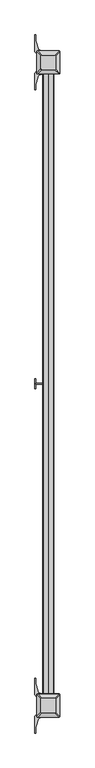
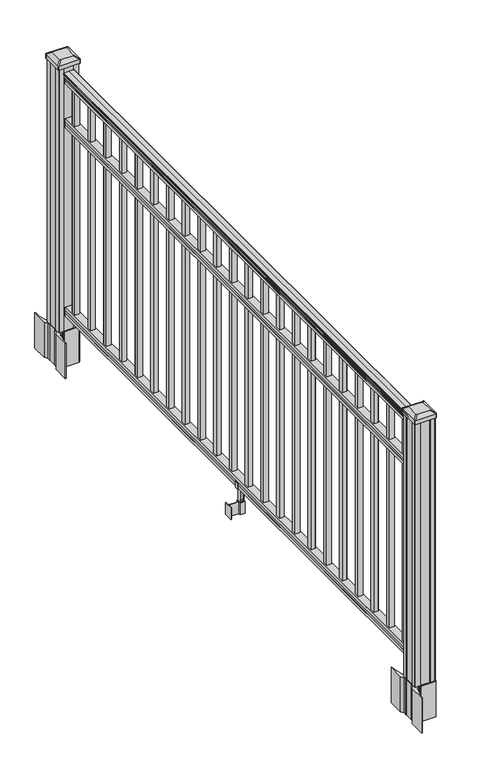
"""IFC4 building model written with IfcOpenShell, lengths in millimetres: railing geometry."""

from ifc_helpers import new_model, si_unit, point, frame, frame_2d, origin, origin_with_axes, place, context, project, spatial, polyline, circle_curve, trimmed, segment, composite_curve, outline, extrude, source, transform, mapped, element, save
from ifc_brep_helpers import plane_surface, extruded_surface, advanced_brep


def railing_6e5fd319(model_context):
    return source(origin(), model_context, "Body", "SolidModel", [
        extrude(outline(composite_curve([segment(trimmed(circle_curve(frame_2d((3402.9211062, 1090.8043297)), 1.2869144), [point((3404.2080205, 1090.8043297))], [point((3401.6341918, 1090.8043297))], False, "CARTESIAN"), True, "CONTINUOUS"), segment(polyline([(3401.6341918, 1090.8043297), (3401.6341918, 1080.147013), (3402.6501918, 1079.131013), (3402.6501918, 1066.8), (3370.9001918, 1066.8), (3370.9001918, 1079.2888283), (3371.9161918, 1080.3048283), (3371.9161918, 1090.8043297)]), True, "CONTINUOUS"), segment(trimmed(circle_curve(frame_2d((3370.6292774, 1090.8043297)), 1.2869144), [point((3371.9161918, 1090.8043297))], [point((3369.3423631, 1090.8043297))], False, "CARTESIAN"), True, "CONTINUOUS"), segment(polyline([(3369.3423631, 1090.8043297), (3369.3423631, 1092.692412)]), True, "CONTINUOUS"), segment(trimmed(circle_curve(frame_2d((3375.6571163, 1098.4506383)), 8.545951), [point((3369.3423631, 1092.692412))], [point((3368.2121768, 1094.2546695))], False, "CARTESIAN"), True, "CONTINUOUS"), segment(trimmed(circle_curve(frame_2d((3375.2200534, 1097.8636577)), 7.882584), [point((3368.2121768, 1094.2546695))], [point((3368.2121768, 1101.4726458))], False, "CARTESIAN"), True, "CONTINUOUS"), segment(trimmed(circle_curve(frame_2d((3364.7067292, 1103.7112527)), 4.1592695), [point((3368.2121768, 1101.4726458))], [point((3368.8614332, 1103.9060812))], True, "CARTESIAN"), True, "CONTINUOUS"), segment(trimmed(circle_curve(frame_2d((3363.4194227, 1103.6508864)), 5.4479907), [point((3368.8614332, 1103.9060812))], [point((3366.3614332, 1108.2362083))], True, "CARTESIAN"), True, "CONTINUOUS"), segment(trimmed(circle_curve(frame_2d((3364.6525811, 1108.233395)), 1.7088543), [point((3366.3614332, 1108.2362083))], [point((3364.9520907, 1109.9157972))], True, "CARTESIAN"), True, "CONTINUOUS"), segment(trimmed(circle_curve(frame_2d((3366.2694812, 1111.0205318)), 1.7192895), [point((3364.9520907, 1109.9157972))], [point((3364.5501917, 1111.0205318))], False, "CARTESIAN"), True, "CONTINUOUS"), segment(polyline([(3364.5501917, 1111.0205318), (3364.5501918, 1112.3608158)]), True, "CONTINUOUS"), segment(trimmed(circle_curve(frame_2d((3366.103639, 1112.3608158)), 1.5534472), [point((3364.5501918, 1112.3608158))], [point((3366.103639, 1113.914263))], False, "CARTESIAN"), True, "CONTINUOUS"), segment(polyline([(3366.103639, 1113.914263), (3386.7751918, 1113.914263), (3407.4467446, 1113.914263)]), True, "CONTINUOUS"), segment(trimmed(circle_curve(frame_2d((3407.4467446, 1112.3608158)), 1.5534472), [point((3407.4467446, 1113.914263))], [point((3409.0001918, 1112.3608158))], False, "CARTESIAN"), True, "CONTINUOUS"), segment(polyline([(3409.0001918, 1112.3608158), (3409.0001918, 1111.0205318)]), True, "CONTINUOUS"), segment(trimmed(circle_curve(frame_2d((3407.2809024, 1111.0205318)), 1.7192895), [point((3409.0001918, 1111.0205318))], [point((3408.5982929, 1109.9157972))], False, "CARTESIAN"), True, "CONTINUOUS"), segment(trimmed(circle_curve(frame_2d((3408.8978025, 1108.233395)), 1.7088543), [point((3408.5982929, 1109.9157972))], [point((3407.1889504, 1108.2362083))], True, "CARTESIAN"), True, "CONTINUOUS"), segment(trimmed(circle_curve(frame_2d((3410.1309609, 1103.6508864)), 5.4479907), [point((3407.1889504, 1108.2362083))], [point((3404.6889504, 1103.9060812))], True, "CARTESIAN"), True, "CONTINUOUS"), segment(trimmed(circle_curve(frame_2d((3408.8436543, 1103.7112527)), 4.1592695), [point((3404.6889504, 1103.9060812))], [point((3405.3382068, 1101.4726458))], True, "CARTESIAN"), True, "CONTINUOUS"), segment(trimmed(circle_curve(frame_2d((3398.3303302, 1097.8636577)), 7.882584), [point((3405.3382068, 1101.4726458))], [point((3405.3382068, 1094.2546695))], False, "CARTESIAN"), True, "CONTINUOUS"), segment(trimmed(circle_curve(frame_2d((3397.8932672, 1098.4506383)), 8.545951), [point((3405.3382068, 1094.2546695))], [point((3404.2080205, 1092.692412))], False, "CARTESIAN"), True, "CONTINUOUS"), segment(polyline([(3404.2080205, 1092.692412), (3404.2080205, 1090.8043297)]), True, "CONTINUOUS")], self_intersect=False)), frame((0.0, -125640.6908968, 0.0), z_axis=(0.0, -1.0, 0.0), x_axis=(1.0, 0.0, 0.0)), (0.0, 0.0, 1.0), 2438.4),
        extrude(outline(polyline([(888.8541976, 3402.6876787), (890.1546183, 3401.6716787), (900.5141717, 3401.6716787), (901.8624492, 3402.6876787), (914.3958781, 3402.6876787), (914.3958781, 3370.9376787), (901.8458024, 3370.9376787), (900.4975248, 3371.9536787), (890.1858283, 3371.9536787), (888.8375508, 3370.9376787), (876.3, 3370.9376787), (876.3, 3402.6876787), (888.8541976, 3402.6876787)])), frame((0.0, -128079.0908968, 0.0), z_axis=(0.0, 1.0, 0.0), x_axis=(0.0, 0.0, 1.0)), (0.0, 0.0, 1.0), 2438.4),
        extrude(outline(polyline([(76.0541976, 3402.6876787), (77.3546183, 3401.6716787), (87.7141717, 3401.6716787), (89.0624492, 3402.6876787), (101.5958781, 3402.6876787), (101.5958781, 3370.9376787), (89.0458024, 3370.9376787), (87.6975248, 3371.9536787), (77.3858283, 3371.9536787), (76.0375508, 3370.9376787), (63.5, 3370.9376787), (63.5, 3402.6876787), (76.0541976, 3402.6876787)])), frame((0.0, -128079.0908968, 0.0), z_axis=(0.0, 1.0, 0.0), x_axis=(0.0, 0.0, 1.0)), (0.0, 0.0, 1.0), 2438.4),
        extrude(outline(polyline([(3396.3001918, -125699.9998968), (3377.2501918, -125699.9998968), (3377.2501918, -125680.9498968), (3396.3001918, -125680.9498968), (3396.3001918, -125699.9998968)]), holes=[polyline([(3395.9033168, -125699.6030218), (3395.9033168, -125681.3467718), (3377.6470668, -125681.3467718), (3377.6470668, -125699.6030218), (3395.9033168, -125699.6030218)])]), frame((0.0, 0.0, 101.5958781), z_axis=(0.0, 0.0, 1.0), x_axis=(1.0, 0.0, 0.0)), (0.0, 0.0, 1.0), 965.2041219),
        extrude(outline(polyline([(3396.3001918, -125811.2518968), (3377.2501918, -125811.2518968), (3377.2501918, -125792.2018968), (3396.3001918, -125792.2018968), (3396.3001918, -125811.2518968)]), holes=[polyline([(3395.9033168, -125810.8550218), (3395.9033168, -125792.5987718), (3377.6470668, -125792.5987718), (3377.6470668, -125810.8550218), (3395.9033168, -125810.8550218)])]), frame((0.0, 0.0, 101.5958781), z_axis=(0.0, 0.0, 1.0), x_axis=(1.0, 0.0, 0.0)), (0.0, 0.0, 1.0), 965.2041219),
        extrude(outline(polyline([(3396.3001918, -125922.5038968), (3377.2501918, -125922.5038968), (3377.2501918, -125903.4538968), (3396.3001918, -125903.4538968), (3396.3001918, -125922.5038968)]), holes=[polyline([(3395.9033168, -125922.1070218), (3395.9033168, -125903.8507718), (3377.6470668, -125903.8507718), (3377.6470668, -125922.1070218), (3395.9033168, -125922.1070218)])]), frame((0.0, 0.0, 101.5958781), z_axis=(0.0, 0.0, 1.0), x_axis=(1.0, 0.0, 0.0)), (0.0, 0.0, 1.0), 965.2041219),
        extrude(outline(polyline([(3396.3001918, -126033.7558968), (3377.2501918, -126033.7558968), (3377.2501918, -126014.7058968), (3396.3001918, -126014.7058968), (3396.3001918, -126033.7558968)]), holes=[polyline([(3395.9033168, -126033.3590218), (3395.9033168, -126015.1027718), (3377.6470668, -126015.1027718), (3377.6470668, -126033.3590218), (3395.9033168, -126033.3590218)])]), frame((0.0, 0.0, 101.5958781), z_axis=(0.0, 0.0, 1.0), x_axis=(1.0, 0.0, 0.0)), (0.0, 0.0, 1.0), 965.2041219),
        extrude(outline(polyline([(3396.3001918, -126145.0078968), (3377.2501918, -126145.0078968), (3377.2501918, -126125.9578968), (3396.3001918, -126125.9578968), (3396.3001918, -126145.0078968)]), holes=[polyline([(3395.9033168, -126144.6110218), (3395.9033168, -126126.3547718), (3377.6470668, -126126.3547718), (3377.6470668, -126144.6110218), (3395.9033168, -126144.6110218)])]), frame((0.0, 0.0, 101.5958781), z_axis=(0.0, 0.0, 1.0), x_axis=(1.0, 0.0, 0.0)), (0.0, 0.0, 1.0), 965.2041219),
        extrude(outline(polyline([(3396.3001918, -126256.2598968), (3377.2501918, -126256.2598968), (3377.2501918, -126237.2098968), (3396.3001918, -126237.2098968), (3396.3001918, -126256.2598968)]), holes=[polyline([(3395.9033168, -126255.8630218), (3395.9033168, -126237.6067718), (3377.6470668, -126237.6067718), (3377.6470668, -126255.8630218), (3395.9033168, -126255.8630218)])]), frame((0.0, 0.0, 101.5958781), z_axis=(0.0, 0.0, 1.0), x_axis=(1.0, 0.0, 0.0)), (0.0, 0.0, 1.0), 965.2041219),
        extrude(outline(polyline([(3396.3001918, -126367.5118968), (3377.2501918, -126367.5118968), (3377.2501918, -126348.4618968), (3396.3001918, -126348.4618968), (3396.3001918, -126367.5118968)]), holes=[polyline([(3395.9033168, -126367.1150218), (3395.9033168, -126348.8587718), (3377.6470668, -126348.8587718), (3377.6470668, -126367.1150218), (3395.9033168, -126367.1150218)])]), frame((0.0, 0.0, 101.5958781), z_axis=(0.0, 0.0, 1.0), x_axis=(1.0, 0.0, 0.0)), (0.0, 0.0, 1.0), 965.2041219),
        extrude(outline(polyline([(3396.3001918, -126478.7638968), (3377.2501918, -126478.7638968), (3377.2501918, -126459.7138968), (3396.3001918, -126459.7138968), (3396.3001918, -126478.7638968)]), holes=[polyline([(3395.9033168, -126478.3670218), (3395.9033168, -126460.1107718), (3377.6470668, -126460.1107718), (3377.6470668, -126478.3670218), (3395.9033168, -126478.3670218)])]), frame((0.0, 0.0, 101.5958781), z_axis=(0.0, 0.0, 1.0), x_axis=(1.0, 0.0, 0.0)), (0.0, 0.0, 1.0), 965.2041219),
        extrude(outline(polyline([(3396.3001918, -126590.0158968), (3377.2501918, -126590.0158968), (3377.2501918, -126570.9658968), (3396.3001918, -126570.9658968), (3396.3001918, -126590.0158968)]), holes=[polyline([(3395.9033168, -126589.6190218), (3395.9033168, -126571.3627718), (3377.6470668, -126571.3627718), (3377.6470668, -126589.6190218), (3395.9033168, -126589.6190218)])]), frame((0.0, 0.0, 101.5958781), z_axis=(0.0, 0.0, 1.0), x_axis=(1.0, 0.0, 0.0)), (0.0, 0.0, 1.0), 965.2041219),
        extrude(outline(polyline([(3396.3001918, -126701.2678968), (3377.2501918, -126701.2678968), (3377.2501918, -126682.2178968), (3396.3001918, -126682.2178968), (3396.3001918, -126701.2678968)]), holes=[polyline([(3395.9033168, -126700.8710218), (3395.9033168, -126682.6147718), (3377.6470668, -126682.6147718), (3377.6470668, -126700.8710218), (3395.9033168, -126700.8710218)])]), frame((0.0, 0.0, 101.5958781), z_axis=(0.0, 0.0, 1.0), x_axis=(1.0, 0.0, 0.0)), (0.0, 0.0, 1.0), 965.2041219),
        extrude(outline(polyline([(3396.3001918, -126812.5198968), (3377.2501918, -126812.5198968), (3377.2501918, -126793.4698968), (3396.3001918, -126793.4698968), (3396.3001918, -126812.5198968)]), holes=[polyline([(3395.9033168, -126812.1230218), (3395.9033168, -126793.8667718), (3377.6470668, -126793.8667718), (3377.6470668, -126812.1230218), (3395.9033168, -126812.1230218)])]), frame((0.0, 0.0, 101.5958781), z_axis=(0.0, 0.0, 1.0), x_axis=(1.0, 0.0, 0.0)), (0.0, 0.0, 1.0), 965.2041219),
        extrude(outline(polyline([(3376.107192, -126859.8908968), (3336.7371918, -126859.8908968), (3336.7371918, -126857.3508968), (3376.107192, -126857.3508968), (3376.107192, -126859.8908968)])), frame((0.0, 0.0, -50.8), z_axis=(0.0, 0.0, 1.0), x_axis=(1.0, 0.0, 0.0)), (0.0, 0.0, 1.0), 50.8),
        extrude(outline(polyline([(3336.7371918, -126877.6708968), (3334.1971918, -126877.6708968), (3334.1971918, -126839.5708968), (3336.7371918, -126839.5708968), (3336.7371918, -126877.6708968)])), frame((0.0, 0.0, -50.8), z_axis=(0.0, 0.0, 1.0), x_axis=(1.0, 0.0, 0.0)), (0.0, 0.0, 1.0), 50.8),
        extrude(outline(polyline([(3397.4431925, -126868.5268968), (3376.107192, -126868.5268968), (3376.107192, -126848.7148968), (3397.4431925, -126848.7148968), (3397.4431925, -126868.5268968)]), holes=[polyline([(3394.1411924, -126865.9868968), (3394.1411924, -126851.2548968), (3379.4091921, -126851.2548968), (3379.4091921, -126865.9868968), (3394.1411924, -126865.9868968)])]), frame((0.0, 0.0, -50.8), z_axis=(0.0, 0.0, 1.0), x_axis=(1.0, 0.0, 0.0)), (0.0, 0.0, 1.0), 50.8),
        extrude(outline(polyline([(88.7203979, 3368.614193), (87.9583969, 3367.8521919), (61.4680023, 3367.8521919), (60.7060013, 3368.614193), (60.7060013, 3378.647192), (59.9440012, 3379.4091921), (-3.5559988, 3379.4091921), (-3.5559988, 3394.1411924), (59.9440012, 3394.1411924), (60.7060013, 3394.9031925), (60.7060013, 3404.9361916), (61.4680023, 3405.6981926), (87.9583969, 3405.6981926), (88.7203979, 3404.9361916), (88.7203979, 3402.904192), (87.7043953, 3401.8881922), (77.2686081, 3401.8881922), (76.2526073, 3402.904192), (64.262001, 3402.904192), (63.5000019, 3402.1421928), (63.5000019, 3371.4081917), (64.262001, 3370.6461926), (76.2526073, 3370.6461926), (77.2686081, 3371.6621924), (87.7043953, 3371.6621924), (88.7203979, 3370.6461926), (88.7203979, 3368.614193)]), holes=[polyline([(60.7060013, 3390.2041922), (59.9440012, 3390.9661923), (3.9370031, 3390.9661923), (3.1750031, 3390.2041922), (3.1750031, 3383.3461895), (3.9370003, 3382.5841923), (59.9440012, 3382.5841923), (60.7060013, 3383.3461924), (60.7060013, 3390.2041922)])]), frame((0.0, -126865.9868968, 0.0), z_axis=(0.0, 1.0, 0.0), x_axis=(0.0, 0.0, 1.0)), (0.0, 0.0, 1.0), 14.732),
        extrude(outline(polyline([(3396.3001918, -126923.7718968), (3377.2501918, -126923.7718968), (3377.2501918, -126904.7218968), (3396.3001918, -126904.7218968), (3396.3001918, -126923.7718968)]), holes=[polyline([(3395.9033168, -126923.3750218), (3395.9033168, -126905.1187718), (3377.6470668, -126905.1187718), (3377.6470668, -126923.3750218), (3395.9033168, -126923.3750218)])]), frame((0.0, 0.0, 101.5958781), z_axis=(0.0, 0.0, 1.0), x_axis=(1.0, 0.0, 0.0)), (0.0, 0.0, 1.0), 965.2041219),
        extrude(outline(polyline([(3396.3001918, -127035.0238968), (3377.2501918, -127035.0238968), (3377.2501918, -127015.9738968), (3396.3001918, -127015.9738968), (3396.3001918, -127035.0238968)]), holes=[polyline([(3395.9033168, -127034.6270218), (3395.9033168, -127016.3707718), (3377.6470668, -127016.3707718), (3377.6470668, -127034.6270218), (3395.9033168, -127034.6270218)])]), frame((0.0, 0.0, 101.5958781), z_axis=(0.0, 0.0, 1.0), x_axis=(1.0, 0.0, 0.0)), (0.0, 0.0, 1.0), 965.2041219),
        extrude(outline(polyline([(3396.3001918, -127146.2758968), (3377.2501918, -127146.2758968), (3377.2501918, -127127.2258968), (3396.3001918, -127127.2258968), (3396.3001918, -127146.2758968)]), holes=[polyline([(3395.9033168, -127145.8790218), (3395.9033168, -127127.6227718), (3377.6470668, -127127.6227718), (3377.6470668, -127145.8790218), (3395.9033168, -127145.8790218)])]), frame((0.0, 0.0, 101.5958781), z_axis=(0.0, 0.0, 1.0), x_axis=(1.0, 0.0, 0.0)), (0.0, 0.0, 1.0), 965.2041219),
        extrude(outline(polyline([(3396.3001918, -127257.5278968), (3377.2501918, -127257.5278968), (3377.2501918, -127238.4778968), (3396.3001918, -127238.4778968), (3396.3001918, -127257.5278968)]), holes=[polyline([(3395.9033168, -127257.1310218), (3395.9033168, -127238.8747718), (3377.6470668, -127238.8747718), (3377.6470668, -127257.1310218), (3395.9033168, -127257.1310218)])]), frame((0.0, 0.0, 101.5958781), z_axis=(0.0, 0.0, 1.0), x_axis=(1.0, 0.0, 0.0)), (0.0, 0.0, 1.0), 965.2041219),
        extrude(outline(polyline([(3396.3001918, -127368.7798968), (3377.2501918, -127368.7798968), (3377.2501918, -127349.7298968), (3396.3001918, -127349.7298968), (3396.3001918, -127368.7798968)]), holes=[polyline([(3395.9033168, -127368.3830218), (3395.9033168, -127350.1267718), (3377.6470668, -127350.1267718), (3377.6470668, -127368.3830218), (3395.9033168, -127368.3830218)])]), frame((0.0, 0.0, 101.5958781), z_axis=(0.0, 0.0, 1.0), x_axis=(1.0, 0.0, 0.0)), (0.0, 0.0, 1.0), 965.2041219),
        extrude(outline(polyline([(3396.3001918, -127480.0318968), (3377.2501918, -127480.0318968), (3377.2501918, -127460.9818968), (3396.3001918, -127460.9818968), (3396.3001918, -127480.0318968)]), holes=[polyline([(3395.9033168, -127479.6350218), (3395.9033168, -127461.3787718), (3377.6470668, -127461.3787718), (3377.6470668, -127479.6350218), (3395.9033168, -127479.6350218)])]), frame((0.0, 0.0, 101.5958781), z_axis=(0.0, 0.0, 1.0), x_axis=(1.0, 0.0, 0.0)), (0.0, 0.0, 1.0), 965.2041219),
        extrude(outline(polyline([(3396.3001918, -127591.2838968), (3377.2501918, -127591.2838968), (3377.2501918, -127572.2338968), (3396.3001918, -127572.2338968), (3396.3001918, -127591.2838968)]), holes=[polyline([(3395.9033168, -127590.8870218), (3395.9033168, -127572.6307718), (3377.6470668, -127572.6307718), (3377.6470668, -127590.8870218), (3395.9033168, -127590.8870218)])]), frame((0.0, 0.0, 101.5958781), z_axis=(0.0, 0.0, 1.0), x_axis=(1.0, 0.0, 0.0)), (0.0, 0.0, 1.0), 965.2041219),
        extrude(outline(polyline([(3396.3001918, -127702.5358968), (3377.2501918, -127702.5358968), (3377.2501918, -127683.4858968), (3396.3001918, -127683.4858968), (3396.3001918, -127702.5358968)]), holes=[polyline([(3395.9033168, -127702.1390218), (3395.9033168, -127683.8827718), (3377.6470668, -127683.8827718), (3377.6470668, -127702.1390218), (3395.9033168, -127702.1390218)])]), frame((0.0, 0.0, 101.5958781), z_axis=(0.0, 0.0, 1.0), x_axis=(1.0, 0.0, 0.0)), (0.0, 0.0, 1.0), 965.2041219),
        extrude(outline(polyline([(3396.3001918, -127813.7878968), (3377.2501918, -127813.7878968), (3377.2501918, -127794.7378968), (3396.3001918, -127794.7378968), (3396.3001918, -127813.7878968)]), holes=[polyline([(3395.9033168, -127813.3910218), (3395.9033168, -127795.1347718), (3377.6470668, -127795.1347718), (3377.6470668, -127813.3910218), (3395.9033168, -127813.3910218)])]), frame((0.0, 0.0, 101.5958781), z_axis=(0.0, 0.0, 1.0), x_axis=(1.0, 0.0, 0.0)), (0.0, 0.0, 1.0), 965.2041219),
        extrude(outline(polyline([(3396.3001918, -127925.0398968), (3377.2501918, -127925.0398968), (3377.2501918, -127905.9898968), (3396.3001918, -127905.9898968), (3396.3001918, -127925.0398968)]), holes=[polyline([(3395.9033168, -127924.6430218), (3395.9033168, -127906.3867718), (3377.6470668, -127906.3867718), (3377.6470668, -127924.6430218), (3395.9033168, -127924.6430218)])]), frame((0.0, 0.0, 101.5958781), z_axis=(0.0, 0.0, 1.0), x_axis=(1.0, 0.0, 0.0)), (0.0, 0.0, 1.0), 965.2041219),
        extrude(outline(polyline([(3396.3001918, -128036.2918968), (3377.2501918, -128036.2918968), (3377.2501918, -128017.2418968), (3396.3001918, -128017.2418968), (3396.3001918, -128036.2918968)]), holes=[polyline([(3395.9033168, -128035.8950218), (3395.9033168, -128017.6387718), (3377.6470668, -128017.6387718), (3377.6470668, -128035.8950218), (3395.9033168, -128035.8950218)])]), frame((0.0, 0.0, 101.5958781), z_axis=(0.0, 0.0, 1.0), x_axis=(1.0, 0.0, 0.0)), (0.0, 0.0, 1.0), 965.2041219),
        extrude(outline(composite_curve([segment(polyline([(3429.5106918, -125616.6749917), (3431.0981918, -125617.4369917), (3431.0981918, -125640.2389198), (3427.7252147, -125643.6118968), (3366.2655439, -125643.6118968), (3366.2655439, -125644.5326468), (3360.9480001, -125644.5326468), (3360.9480001, -125645.9869015), (3355.8634704, -125645.9869015), (3355.8634704, -125647.2709253), (3354.1961981, -125647.2709253)]), True, "CONTINUOUS"), segment(trimmed(circle_curve(frame_2d((3354.1961981, -125654.3303852)), 7.0594599), [point((3354.1961981, -125647.2709253))], [point((3347.4289352, -125652.3203785))], True, "CARTESIAN"), True, "CONTINUOUS"), segment(polyline([(3347.4289352, -125652.3203785), (3339.554741, -125678.8311076)]), True, "CONTINUOUS"), segment(trimmed(circle_curve(frame_2d((3394.3392543, -125695.1031573)), 57.15), [point((3339.554741, -125678.8311076))], [point((3337.1892543, -125695.1031573))], True, "CARTESIAN"), True, "CONTINUOUS"), segment(polyline([(3337.1892543, -125695.1031573), (3337.1892543, -125707.1118968), (3334.1892543, -125707.1118968), (3334.1892543, -125642.0243968), (3342.4521918, -125630.6861055), (3342.4521918, -125617.4369917), (3344.0396918, -125616.6749917), (3344.0396918, -125581.902802), (3342.4521918, -125581.140802), (3342.4521918, -125567.8916882), (3334.1892543, -125556.5533968), (3334.1892543, -125491.4658968), (3337.1892543, -125491.4658968), (3337.1892543, -125503.4746364)]), True, "CONTINUOUS"), segment(trimmed(circle_curve(frame_2d((3394.3392543, -125503.4746364)), 57.15), [point((3337.1892543, -125503.4746364))], [point((3339.554741, -125519.746686))], True, "CARTESIAN"), True, "CONTINUOUS"), segment(polyline([(3339.554741, -125519.746686), (3347.4289352, -125546.2574151)]), True, "CONTINUOUS"), segment(trimmed(circle_curve(frame_2d((3354.1961981, -125544.2474085)), 7.0594599), [point((3347.4289352, -125546.2574151))], [point((3354.1961981, -125551.3068683))], True, "CARTESIAN"), True, "CONTINUOUS"), segment(polyline([(3354.1961981, -125551.3068683), (3355.8634704, -125551.3068683), (3355.8634704, -125552.5908921), (3360.9480001, -125552.5908921), (3360.9480001, -125554.0451468), (3366.2655439, -125554.0451468), (3366.2655439, -125554.9658968), (3427.7252147, -125554.9658968), (3431.0981918, -125558.3388739), (3431.0981918, -125581.140802), (3429.5106918, -125581.902802), (3429.5106918, -125616.6749917)]), True, "CONTINUOUS")], self_intersect=False), holes=[polyline([(3345.5001918, -125559.6013968), (3345.5001918, -125638.9763968), (3347.0876918, -125640.5638968), (3384.0119744, -125640.5638968), (3426.4626918, -125640.5638968), (3428.0501918, -125638.9763968), (3428.0501918, -125559.6013968), (3426.4626918, -125558.0138968), (3384.0119744, -125558.0138968), (3347.0876918, -125558.0138968), (3345.5001918, -125559.6013968)])]), frame((0.0, 0.0, -152.4), z_axis=(0.0, 0.0, 1.0), x_axis=(1.0, 0.0, 0.0)), (0.0, 0.0, 1.0), 152.4),
        advanced_brep(
        [(3360.9783168, -125628.2607718, 1165.225), (3412.5720668, -125628.2607718, 1165.225), (3415.7470668, -125625.0857718, 1165.225), (3415.7470668, -125573.4920218, 1165.225), (3412.5720668, -125570.3170218, 1165.225), (3360.9783168, -125570.3170218, 1165.225), (3357.8033168, -125573.4920218, 1165.225), (3357.8033168, -125625.0857718, 1165.225), (3344.7064418, -125644.5326468, 1153.922), (3341.5314418, -125641.3576468, 1153.922), (3341.5314418, -125557.2201468, 1153.922), (3344.7064418, -125554.0451468, 1153.922), (3428.8439418, -125554.0451468, 1153.922), (3432.0189418, -125557.2201468, 1153.922), (3432.0189418, -125641.3576468, 1153.922), (3428.8439418, -125644.5326468, 1153.922)],
        [
            (0, 1),
            (1, 2, circle_curve(frame((3412.5720668, -125625.0857718, 1165.225), z_axis=(0.0, 0.0, 1.0), x_axis=(0.0, 1.0, 0.0)), 3.175)),
            (2, 3),
            (3, 4, circle_curve(frame((3412.5720668, -125573.4920218, 1165.225), z_axis=(0.0, 0.0, 1.0), x_axis=(0.0, 1.0, 0.0)), 3.175)),
            (4, 5),
            (5, 6, circle_curve(frame((3360.9783168, -125573.4920218, 1165.225), z_axis=(0.0, 0.0, 1.0), x_axis=(0.0, 1.0, 0.0)), 3.175)),
            (6, 7),
            (7, 0, circle_curve(frame((3360.9783168, -125625.0857718, 1165.225), z_axis=(0.0, 0.0, 1.0), x_axis=(0.0, 1.0, 0.0)), 3.175)),
            (8, 9, circle_curve(frame((3344.7064418, -125641.3576468, 1153.922), z_axis=(0.0, 0.0, -1.0), x_axis=(0.0, 1.0, 0.0)), 3.175)),
            (9, 10),
            (10, 11, circle_curve(frame((3344.7064418, -125557.2201468, 1153.922), z_axis=(0.0, 0.0, -1.0), x_axis=(0.0, 1.0, 0.0)), 3.175)),
            (11, 12),
            (12, 13, circle_curve(frame((3428.8439418, -125557.2201468, 1153.922), z_axis=(0.0, 0.0, -1.0), x_axis=(0.0, 1.0, 0.0)), 3.175)),
            (13, 14),
            (14, 15, circle_curve(frame((3428.8439418, -125641.3576468, 1153.922), z_axis=(0.0, 0.0, -1.0), x_axis=(0.0, 1.0, 0.0)), 3.175)),
            (15, 8),
            (8, 0),
            (7, 9),
            (6, 10),
            (5, 11),
            (4, 12),
            (3, 13),
            (2, 14),
            (1, 15),
        ],
        [
            plane_surface(frame((3386.7751918, -125599.2888968, 1165.225), z_axis=(0.0, 0.0, 1.0), x_axis=(-1.0, 0.0, 0.0))),
            plane_surface(frame((3386.7751918, -125599.2888968, 1153.922), z_axis=(0.0, 0.0, -1.0), x_axis=(-1.0, 0.0, 0.0))),
            extruded_surface(trimmed(circle_curve(frame((3360.9783168, -125625.0857718, 1165.225), z_axis=(0.0, 0.0, -1.0), x_axis=(0.0, 1.0, 0.0)), 3.175), [point((3360.9783168, -125628.2607718, 1165.225))], [point((3357.8033168, -125625.0857718, 1165.225))], True, "CARTESIAN"), (-16.27187499999991, -16.27187499999127, -11.302999999999884), 25.63797263886051),
            plane_surface(frame((3341.5314418, -125599.2888968, 1153.922), z_axis=(-0.5705009161540777, 0.0, 0.8212969649690409), x_axis=(0.0, 1.0, 0.0))),
            extruded_surface(trimmed(circle_curve(frame((3360.9783168, -125573.4920218, 1165.225), z_axis=(0.0, 0.0, -1.0), x_axis=(0.0, 1.0, 0.0)), 3.175), [point((3357.8033168, -125573.4920218, 1165.225))], [point((3360.9783168, -125570.3170218, 1165.225))], True, "CARTESIAN"), (-16.27187499999991, 16.27187500000582, -11.302999999999884), 25.637972638869748),
            plane_surface(frame((3386.7751918, -125554.0451468, 1153.922), z_axis=(0.0, 0.5705009161540291, 0.8212969649690747), x_axis=(1.0, 0.0, 0.0))),
            extruded_surface(trimmed(circle_curve(frame((3412.5720668, -125573.4920218, 1165.225), z_axis=(0.0, 0.0, -1.0), x_axis=(0.0, 1.0, 0.0)), 3.175), [point((3412.5720668, -125570.3170218, 1165.225))], [point((3415.7470668, -125573.4920218, 1165.225))], True, "CARTESIAN"), (16.27187499999991, 16.27187500000582, -11.302999999999884), 25.637972638869748),
            plane_surface(frame((3432.0189418, -125599.2888968, 1153.922), z_axis=(0.5705009161540143, 0.0, 0.821296964969085), x_axis=(0.0, -1.0, 0.0))),
            extruded_surface(trimmed(circle_curve(frame((3412.5720668, -125625.0857718, 1165.225), z_axis=(0.0, 0.0, -1.0), x_axis=(0.0, 1.0, 0.0)), 3.175), [point((3415.7470668, -125625.0857718, 1165.225))], [point((3412.5720668, -125628.2607718, 1165.225))], True, "CARTESIAN"), (16.27187499999991, -16.27187499999127, -11.302999999999884), 25.63797263886051),
            plane_surface(frame((3386.7751918, -125644.5326468, 1153.922), z_axis=(0.0, -0.570500916154034, 0.8212969649690713), x_axis=(-1.0, 0.0, 0.0))),
        ],
        [
            (0, [[1, 2, 3, 4, 5, 6, 7, 8]]),
            (1, [[9, 10, 11, 12, 13, 14, 15, 16]]),
            (2, [[17, -8, 18, -9]]),
            (3, [[-18, -7, 19, -10]]),
            (4, [[-19, -6, 20, -11]]),
            (5, [[-20, -5, 21, -12]]),
            (6, [[-21, -4, 22, -13]]),
            (7, [[-22, -3, 23, -14]]),
            (8, [[-23, -2, 24, -15]]),
            (9, [[-24, -1, -17, -16]]),
        ],
    ),
        extrude(outline(composite_curve([segment(trimmed(circle_curve(frame_2d((3344.7064418, -125641.3576468)), 3.175), [point((3344.7064418, -125644.5326468))], [point((3341.5314418, -125641.3576468))], False, "CARTESIAN"), True, "CONTINUOUS"), segment(polyline([(3341.5314418, -125641.3576468), (3341.5314418, -125557.2201468)]), True, "CONTINUOUS"), segment(trimmed(circle_curve(frame_2d((3344.7064418, -125557.2201468)), 3.175), [point((3341.5314418, -125557.2201468))], [point((3344.7064418, -125554.0451468))], False, "CARTESIAN"), True, "CONTINUOUS"), segment(polyline([(3344.7064418, -125554.0451468), (3428.8439418, -125554.0451468)]), True, "CONTINUOUS"), segment(trimmed(circle_curve(frame_2d((3428.8439418, -125557.2201468)), 3.175), [point((3428.8439418, -125554.0451468))], [point((3432.0189418, -125557.2201468))], False, "CARTESIAN"), True, "CONTINUOUS"), segment(polyline([(3432.0189418, -125557.2201468), (3432.0189418, -125641.3576468)]), True, "CONTINUOUS"), segment(trimmed(circle_curve(frame_2d((3428.8439418, -125641.3576468)), 3.175), [point((3432.0189418, -125641.3576468))], [point((3428.8439418, -125644.5326468))], False, "CARTESIAN"), True, "CONTINUOUS"), segment(polyline([(3428.8439418, -125644.5326468), (3344.7064418, -125644.5326468)]), True, "CONTINUOUS")], self_intersect=False)), frame((0.0, 0.0, 1136.65), z_axis=(0.0, 0.0, 1.0), x_axis=(1.0, 0.0, 0.0)), (0.0, 0.0, 1.0), 17.272),
        extrude(outline(polyline([(3347.0876918, -125640.5638968), (3345.5001918, -125638.9763968), (3345.5001918, -125619.3548968), (3347.0876918, -125618.5928968), (3347.0876918, -125579.9848968), (3345.5001918, -125579.2228968), (3345.5001918, -125559.6013968), (3347.0876918, -125558.0138968), (3366.7091918, -125558.0138968), (3367.4711918, -125559.6013968), (3406.0791918, -125559.6013968), (3406.8411918, -125558.0138968), (3426.4626918, -125558.0138968), (3428.0501918, -125559.6013968), (3428.0501918, -125579.2228968), (3426.4626918, -125579.9848968), (3426.4626918, -125618.5928968), (3428.0501918, -125619.3548968), (3428.0501918, -125638.9763968), (3426.4626918, -125640.5638968), (3406.8411918, -125640.5638968), (3406.0791918, -125638.9763968), (3367.4711918, -125638.9763968), (3366.7091918, -125640.5638968), (3347.0876918, -125640.5638968)])), origin_with_axes(), (0.0, 0.0, 1.0), 1136.65),
        extrude(outline(composite_curve([segment(polyline([(3429.5106918, -128137.8789917), (3431.0981918, -128138.6409917), (3431.0981918, -128161.4429198), (3427.7252147, -128164.8158968), (3366.2655439, -128164.8158968), (3366.2655439, -128165.7366468), (3360.9480001, -128165.7366468), (3360.9480001, -128167.1909015), (3355.8634704, -128167.1909015), (3355.8634704, -128168.4749253), (3354.1961981, -128168.4749253)]), True, "CONTINUOUS"), segment(trimmed(circle_curve(frame_2d((3354.1961981, -128175.5343852)), 7.0594599), [point((3354.1961981, -128168.4749253))], [point((3347.4289352, -128173.5243785))], True, "CARTESIAN"), True, "CONTINUOUS"), segment(polyline([(3347.4289352, -128173.5243785), (3339.554741, -128200.0351076)]), True, "CONTINUOUS"), segment(trimmed(circle_curve(frame_2d((3394.3392543, -128216.3071573)), 57.15), [point((3339.554741, -128200.0351076))], [point((3337.1892543, -128216.3071573))], True, "CARTESIAN"), True, "CONTINUOUS"), segment(polyline([(3337.1892543, -128216.3071573), (3337.1892543, -128228.3158968), (3334.1892543, -128228.3158968), (3334.1892543, -128163.2283968), (3342.4521918, -128151.8901055), (3342.4521918, -128138.6409917), (3344.0396918, -128137.8789917), (3344.0396918, -128103.106802), (3342.4521918, -128102.344802), (3342.4521918, -128089.0956882), (3334.1892543, -128077.7573968), (3334.1892543, -128012.6698968), (3337.1892543, -128012.6698968), (3337.1892543, -128024.6786364)]), True, "CONTINUOUS"), segment(trimmed(circle_curve(frame_2d((3394.3392543, -128024.6786364)), 57.15), [point((3337.1892543, -128024.6786364))], [point((3339.554741, -128040.950686))], True, "CARTESIAN"), True, "CONTINUOUS"), segment(polyline([(3339.554741, -128040.950686), (3347.4289352, -128067.4614151)]), True, "CONTINUOUS"), segment(trimmed(circle_curve(frame_2d((3354.1961981, -128065.4514085)), 7.0594599), [point((3347.4289352, -128067.4614151))], [point((3354.1961981, -128072.5108683))], True, "CARTESIAN"), True, "CONTINUOUS"), segment(polyline([(3354.1961981, -128072.5108683), (3355.8634704, -128072.5108683), (3355.8634704, -128073.7948921), (3360.9480001, -128073.7948921), (3360.9480001, -128075.2491468), (3366.2655439, -128075.2491468), (3366.2655439, -128076.1698968), (3427.7252147, -128076.1698968), (3431.0981918, -128079.5428739), (3431.0981918, -128102.344802), (3429.5106918, -128103.106802), (3429.5106918, -128137.8789917)]), True, "CONTINUOUS")], self_intersect=False), holes=[polyline([(3345.5001918, -128080.8053968), (3345.5001918, -128160.1803968), (3347.0876918, -128161.7678968), (3384.0119744, -128161.7678968), (3426.4626918, -128161.7678968), (3428.0501918, -128160.1803968), (3428.0501918, -128080.8053968), (3426.4626918, -128079.2178968), (3384.0119744, -128079.2178968), (3347.0876918, -128079.2178968), (3345.5001918, -128080.8053968)])]), frame((0.0, 0.0, -152.4), z_axis=(0.0, 0.0, 1.0), x_axis=(1.0, 0.0, 0.0)), (0.0, 0.0, 1.0), 152.4),
        advanced_brep(
        [(3360.9783168, -128149.4647718, 1165.225), (3412.5720668, -128149.4647718, 1165.225), (3415.7470668, -128146.2897718, 1165.225), (3415.7470668, -128094.6960218, 1165.225), (3412.5720668, -128091.5210218, 1165.225), (3360.9783168, -128091.5210218, 1165.225), (3357.8033168, -128094.6960218, 1165.225), (3357.8033168, -128146.2897718, 1165.225), (3344.7064418, -128165.7366468, 1153.922), (3341.5314418, -128162.5616468, 1153.922), (3341.5314418, -128078.4241468, 1153.922), (3344.7064418, -128075.2491468, 1153.922), (3428.8439418, -128075.2491468, 1153.922), (3432.0189418, -128078.4241468, 1153.922), (3432.0189418, -128162.5616468, 1153.922), (3428.8439418, -128165.7366468, 1153.922)],
        [
            (0, 1),
            (1, 2, circle_curve(frame((3412.5720668, -128146.2897718, 1165.225), z_axis=(0.0, 0.0, 1.0), x_axis=(0.0, 1.0, 0.0)), 3.175)),
            (2, 3),
            (3, 4, circle_curve(frame((3412.5720668, -128094.6960218, 1165.225), z_axis=(0.0, 0.0, 1.0), x_axis=(0.0, 1.0, 0.0)), 3.175)),
            (4, 5),
            (5, 6, circle_curve(frame((3360.9783168, -128094.6960218, 1165.225), z_axis=(0.0, 0.0, 1.0), x_axis=(0.0, 1.0, 0.0)), 3.175)),
            (6, 7),
            (7, 0, circle_curve(frame((3360.9783168, -128146.2897718, 1165.225), z_axis=(0.0, 0.0, 1.0), x_axis=(0.0, 1.0, 0.0)), 3.175)),
            (8, 9, circle_curve(frame((3344.7064418, -128162.5616468, 1153.922), z_axis=(0.0, 0.0, -1.0), x_axis=(0.0, 1.0, 0.0)), 3.175)),
            (9, 10),
            (10, 11, circle_curve(frame((3344.7064418, -128078.4241468, 1153.922), z_axis=(0.0, 0.0, -1.0), x_axis=(0.0, 1.0, 0.0)), 3.175)),
            (11, 12),
            (12, 13, circle_curve(frame((3428.8439418, -128078.4241468, 1153.922), z_axis=(0.0, 0.0, -1.0), x_axis=(0.0, 1.0, 0.0)), 3.175)),
            (13, 14),
            (14, 15, circle_curve(frame((3428.8439418, -128162.5616468, 1153.922), z_axis=(0.0, 0.0, -1.0), x_axis=(0.0, 1.0, 0.0)), 3.175)),
            (15, 8),
            (8, 0),
            (7, 9),
            (6, 10),
            (5, 11),
            (4, 12),
            (3, 13),
            (2, 14),
            (1, 15),
        ],
        [
            plane_surface(frame((3386.7751918, -128120.4928968, 1165.225), z_axis=(0.0, 0.0, 1.0), x_axis=(-1.0, 0.0, 0.0))),
            plane_surface(frame((3386.7751918, -128120.4928968, 1153.922), z_axis=(0.0, 0.0, -1.0), x_axis=(-1.0, 0.0, 0.0))),
            extruded_surface(trimmed(circle_curve(frame((3360.9783168, -128146.2897718, 1165.225), z_axis=(0.0, 0.0, -1.0), x_axis=(0.0, 1.0, 0.0)), 3.175), [point((3360.9783168, -128149.4647718, 1165.225))], [point((3357.8033168, -128146.2897718, 1165.225))], True, "CARTESIAN"), (-16.27187499999991, -16.27187499999127, -11.302999999999884), 25.63797263886051),
            plane_surface(frame((3341.5314418, -128120.4928968, 1153.922), z_axis=(-0.5705009161540777, 0.0, 0.8212969649690409), x_axis=(0.0, 1.0, 0.0))),
            extruded_surface(trimmed(circle_curve(frame((3360.9783168, -128094.6960218, 1165.225), z_axis=(0.0, 0.0, -1.0), x_axis=(0.0, 1.0, 0.0)), 3.175), [point((3357.8033168, -128094.6960218, 1165.225))], [point((3360.9783168, -128091.5210218, 1165.225))], True, "CARTESIAN"), (-16.27187499999991, 16.27187500000582, -11.302999999999884), 25.637972638869748),
            plane_surface(frame((3386.7751918, -128075.2491468, 1153.922), z_axis=(0.0, 0.5705009161540291, 0.8212969649690747), x_axis=(1.0, 0.0, 0.0))),
            extruded_surface(trimmed(circle_curve(frame((3412.5720668, -128094.6960218, 1165.225), z_axis=(0.0, 0.0, -1.0), x_axis=(0.0, 1.0, 0.0)), 3.175), [point((3412.5720668, -128091.5210218, 1165.225))], [point((3415.7470668, -128094.6960218, 1165.225))], True, "CARTESIAN"), (16.27187499999991, 16.27187500000582, -11.302999999999884), 25.637972638869748),
            plane_surface(frame((3432.0189418, -128120.4928968, 1153.922), z_axis=(0.5705009161540143, 0.0, 0.821296964969085), x_axis=(0.0, -1.0, 0.0))),
            extruded_surface(trimmed(circle_curve(frame((3412.5720668, -128146.2897718, 1165.225), z_axis=(0.0, 0.0, -1.0), x_axis=(0.0, 1.0, 0.0)), 3.175), [point((3415.7470668, -128146.2897718, 1165.225))], [point((3412.5720668, -128149.4647718, 1165.225))], True, "CARTESIAN"), (16.27187499999991, -16.27187499999127, -11.302999999999884), 25.63797263886051),
            plane_surface(frame((3386.7751918, -128165.7366468, 1153.922), z_axis=(0.0, -0.570500916154034, 0.8212969649690713), x_axis=(-1.0, 0.0, 0.0))),
        ],
        [
            (0, [[1, 2, 3, 4, 5, 6, 7, 8]]),
            (1, [[9, 10, 11, 12, 13, 14, 15, 16]]),
            (2, [[17, -8, 18, -9]]),
            (3, [[-18, -7, 19, -10]]),
            (4, [[-19, -6, 20, -11]]),
            (5, [[-20, -5, 21, -12]]),
            (6, [[-21, -4, 22, -13]]),
            (7, [[-22, -3, 23, -14]]),
            (8, [[-23, -2, 24, -15]]),
            (9, [[-24, -1, -17, -16]]),
        ],
    ),
        extrude(outline(composite_curve([segment(trimmed(circle_curve(frame_2d((3344.7064418, -128162.5616468)), 3.175), [point((3344.7064418, -128165.7366468))], [point((3341.5314418, -128162.5616468))], False, "CARTESIAN"), True, "CONTINUOUS"), segment(polyline([(3341.5314418, -128162.5616468), (3341.5314418, -128078.4241468)]), True, "CONTINUOUS"), segment(trimmed(circle_curve(frame_2d((3344.7064418, -128078.4241468)), 3.175), [point((3341.5314418, -128078.4241468))], [point((3344.7064418, -128075.2491468))], False, "CARTESIAN"), True, "CONTINUOUS"), segment(polyline([(3344.7064418, -128075.2491468), (3428.8439418, -128075.2491468)]), True, "CONTINUOUS"), segment(trimmed(circle_curve(frame_2d((3428.8439418, -128078.4241468)), 3.175), [point((3428.8439418, -128075.2491468))], [point((3432.0189418, -128078.4241468))], False, "CARTESIAN"), True, "CONTINUOUS"), segment(polyline([(3432.0189418, -128078.4241468), (3432.0189418, -128162.5616468)]), True, "CONTINUOUS"), segment(trimmed(circle_curve(frame_2d((3428.8439418, -128162.5616468)), 3.175), [point((3432.0189418, -128162.5616468))], [point((3428.8439418, -128165.7366468))], False, "CARTESIAN"), True, "CONTINUOUS"), segment(polyline([(3428.8439418, -128165.7366468), (3344.7064418, -128165.7366468)]), True, "CONTINUOUS")], self_intersect=False)), frame((0.0, 0.0, 1136.65), z_axis=(0.0, 0.0, 1.0), x_axis=(1.0, 0.0, 0.0)), (0.0, 0.0, 1.0), 17.272),
        extrude(outline(polyline([(3347.0876918, -128161.7678968), (3345.5001918, -128160.1803968), (3345.5001918, -128140.5588968), (3347.0876918, -128139.7968968), (3347.0876918, -128101.1888968), (3345.5001918, -128100.4268968), (3345.5001918, -128080.8053968), (3347.0876918, -128079.2178968), (3366.7091918, -128079.2178968), (3367.4711918, -128080.8053968), (3406.0791918, -128080.8053968), (3406.8411918, -128079.2178968), (3426.4626918, -128079.2178968), (3428.0501918, -128080.8053968), (3428.0501918, -128100.4268968), (3426.4626918, -128101.1888968), (3426.4626918, -128139.7968968), (3428.0501918, -128140.5588968), (3428.0501918, -128160.1803968), (3426.4626918, -128161.7678968), (3406.8411918, -128161.7678968), (3406.0791918, -128160.1803968), (3367.4711918, -128160.1803968), (3366.7091918, -128161.7678968), (3347.0876918, -128161.7678968)])), origin_with_axes(), (0.0, 0.0, 1.0), 1136.65),
    ])


if __name__ == "__main__":
    model = new_model("IFC4")
    model_context = context("Model", 3, world=origin())
    ifc_project = project(units=[si_unit("LENGTHUNIT", "METRE", prefix="MILLI")], contexts=[model_context])
    site = spatial("IfcSite", under=ifc_project)
    building = spatial("IfcBuilding", under=site)
    placement = place(None, origin())
    railing_shape = railing_6e5fd319(model_context)
    element("IfcRailing", 1, at=placement, inside=building, context=model_context, shape_type="MappedRepresentation", body=[
        mapped(railing_shape, transform((0.0, 0.0, 0.0), x_axis=(1.0, 0.0, 0.0), y_axis=(0.0, 1.0, 0.0), z_axis=(0.0, 0.0, 1.0))),
    ])
    save(model, "model.ifc")
